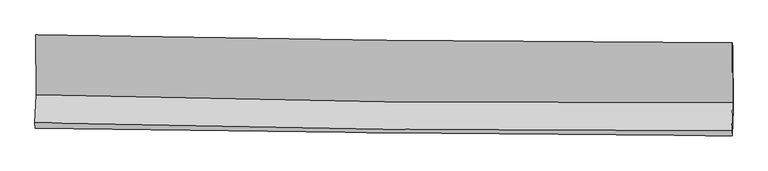
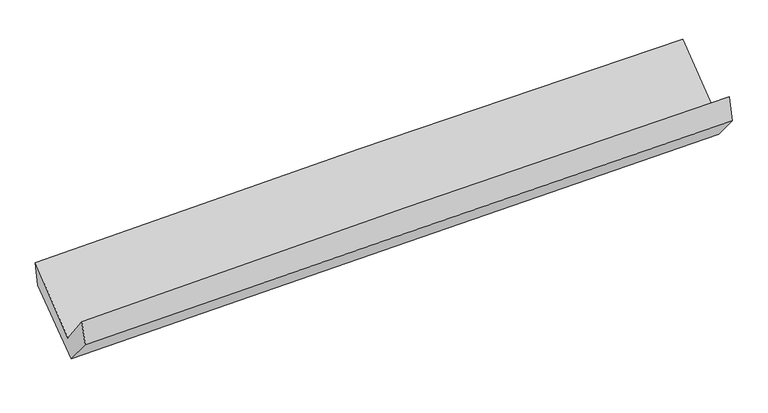
"""IFC4 building model written with IfcOpenShell, lengths in millimetres: proxy geometry."""

from ifc_helpers import new_model, si_unit, frame, origin, place, context, project, spatial, source, transform, mapped, element, save
from ifc_brep_helpers import plane_surface, spline_curve, spline_surface, advanced_brep


def generic_models_568cdb85(model_context):
    return source(origin(), model_context, "Body", "AdvancedBrep", [
        advanced_brep(
        [(-3026.2331343, -1164.6778657, 2163.4394769), (-3021.5308357, -1681.1058854, 1728.1511684), (3012.4801467, -1750.2394994, 1891.4274737), (3009.0242585, -1231.6485114, 2308.5888141), (-3031.673877, -1927.0252815, 2043.6214351), (3002.4210737, -1994.1230737, 2204.2861479), (-3027.4366246, -1974.2881741, 1843.0651275), (3006.8801617, -2036.9938745, 1987.9810045), (-3017.9930825, -1734.6646919, 1554.2397085), (3015.9585961, -1806.9662669, 1710.7219091), (-3021.5808673, -1192.7474016, 1954.1617515), (3013.1868849, -1267.7345385, 2108.6873645)],
        [
            (0, 1),
            (1, 2, spline_curve(3, [(-3021.5308357, -1681.1058854, 1728.1511684), (-2016.66316838, -1711.065385821, 1782.697433596), (-1011.352369885, -1731.805977153, 1823.576919723), (999.984774795, -1754.847385779, 1877.997715846), (2006.010970304, -1757.151332449, 1891.543664472), (3012.4801467, -1750.2394994, 1891.4274737)], [4, 2, 4], [0.0, 9.905091623100772, 19.808501975467742])),
            (2, 3),
            (3, 0, spline_curve(3, [(3009.0242585, -1231.6485114, 2308.5888141), (2002.653406463, -1228.529686497, 2304.544240185), (996.572527046, -1221.390201713, 2290.428056703), (-1015.180035595, -1199.068018665, 2242.048364412), (-2020.851620542, -1183.883954577, 2207.781435484), (-3026.2331343, -1164.6778657, 2163.4394769)], [4, 2, 4], [0.0, 9.90341035236697, 19.808501975467742])),
            (1, 4),
            (4, 5, spline_curve(3, [(-3031.673877, -1927.0252815, 2043.6214351), (-2026.595212342, -1951.869127109, 2091.60523734), (-1021.171925815, -1969.882427683, 2128.986100953), (990.193174752, -1992.246039778, 2182.537405815), (1996.134871637, -1996.598670129, 2198.711446444), (3002.4210737, -1994.1230737, 2204.2861479)], [4, 2, 4], [0.0, 9.904626753727277, 19.807572315626764])),
            (5, 2),
            (4, 6),
            (6, 7, spline_curve(3, [(-3027.4366246, -1974.2881741, 1843.0651275), (-2021.849965852, -1988.336472885, 1872.968458097), (-1016.154214197, -2000.586388183, 1899.99722766), (995.284751465, -2021.487677795, 1948.301544252), (2001.027928788, -2030.139662548, 1969.578066993), (3006.8801617, -2036.9938745, 1987.9810045)], [4, 2, 4], [0.0, 9.903579005522804, 19.805476997060534])),
            (7, 5),
            (6, 8),
            (8, 9, spline_curve(3, [(-3017.9930825, -1734.6646919, 1554.2397085), (-2012.424820624, -1749.246140092, 1584.785687618), (-1006.768697466, -1762.562399275, 1613.099777804), (1004.548558863, -1786.662494801, 1665.259753655), (2010.209661838, -1797.446760343, 1689.106396905), (3015.9585961, -1806.9662669, 1710.7219091)], [4, 2, 4], [0.0, 9.903111408976129, 19.8045418833361])),
            (9, 7),
            (8, 10),
            (10, 11, spline_curve(3, [(-3021.5808673, -1192.7474016, 1954.1617515), (-2015.832922691, -1211.923843162, 1981.321466429), (-1010.018948326, -1227.761239251, 2007.779491829), (1001.570325036, -1252.755818103, 2059.287791141), (2007.345601008, -1261.914134553, 2084.3383036), (3013.1868849, -1267.7345385, 2108.6873645)], [4, 2, 4], [0.0, 9.903790711770714, 19.805900373621753])),
            (11, 9),
            (10, 0),
            (3, 11),
        ],
        [
            spline_surface(3, 3, [[(-3026.2331343, -1164.6778657, 2163.4394769), (-2020.851620619, -1183.8839546, 2207.781435411), (-1015.180035644, -1199.068018538, 2242.048364337), (996.572527095, -1221.390201839, 2290.428056777), (2002.65340637, -1228.529686469, 2304.544240289), (3009.0242585, -1231.6485114, 2308.5888141)], [(-3024.665701432, -1336.820538959, 2018.343374053), (-2019.455469862, -1359.611098352, 2066.086768097), (-1013.904147063, -1376.64733807, 2102.557882811), (997.709942947, -1399.209263162, 2152.951276419), (2003.772594351, -1404.736901823, 2166.877381714), (3010.176221225, -1404.512174097, 2169.535033965)], [(-3023.098268568, -1508.963212141, 1873.247271247), (-2018.059319109, -1535.338242026, 1924.392100825), (-1012.628258402, -1554.226657598, 1963.067401339), (998.847358879, -1577.02832448, 2015.474496114), (2004.891782355, -1580.944117085, 2029.210523143), (3011.328183975, -1577.375836703, 2030.481253835)], [(-3021.5308357, -1681.1058854, 1728.1511684), (-2016.663168352, -1711.065385777, 1782.697433512), (-1011.352369821, -1731.80597713, 1823.576919813), (999.984774731, -1754.847385802, 1877.997715756), (2006.010970336, -1757.151332439, 1891.543664568), (3012.4801467, -1750.2394994, 1891.4274737)]], [4, 4], [4, 2, 4], [0.0, 2.2174350293559915], [0.0, 9.905091623100772, 19.808501975467742]),
            spline_surface(3, 3, [[(-3021.5308357, -1681.1058854, 1728.1511684), (-2016.663168352, -1711.065385777, 1782.697433512), (-1011.352369821, -1731.80597713, 1823.576919813), (999.984774731, -1754.847385802, 1877.997715756), (2006.010970336, -1757.151332439, 1891.543664568), (3012.4801467, -1750.2394994, 1891.4274737)], [(-3024.911849458, -1763.079017429, 1833.307923981), (-2019.97384972, -1791.333299582, 1885.666701417), (-1014.625555131, -1811.164793983, 1925.379980162), (996.720908082, -1833.98027047, 1979.510945828), (2002.718937436, -1836.967111634, 1993.93292525), (3009.127122363, -1831.534024152, 1995.71369844)], [(-3028.292863242, -1845.052149471, 1938.464679519), (-2023.284531114, -1871.6012134, 1988.63596928), (-1017.898740489, -1890.523610819, 2027.183040478), (993.457041385, -1913.113155122, 2081.024175868), (1999.426904545, -1916.782890873, 2096.322185913), (3005.774098037, -1912.828548948, 2099.99992316)], [(-3031.673877, -1927.0252815, 2043.6214351), (-2026.595212482, -1951.869127204, 2091.605237185), (-1021.171925799, -1969.882427672, 2128.986100827), (990.193174736, -1992.246039789, 2182.537405941), (1996.134871645, -1996.598670067, 2198.711446595), (3002.4210737, -1994.1230737, 2204.2861479)]], [4, 4], [4, 2, 4], [0.0, 1.2690735368084192], [0.0, 9.904626753727277, 19.807572315626764]),
            spline_surface(3, 3, [[(-3031.673877, -1927.0252815, 2043.6214351), (-2026.595212482, -1951.869127204, 2091.605237185), (-1021.171925799, -1969.882427672, 2128.986100827), (990.193174736, -1992.246039789, 2182.537405941), (1996.134871645, -1996.598670067, 2198.711446595), (3002.4210737, -1994.1230737, 2204.2861479)], [(-3030.261459546, -1942.779579027, 1976.769332568), (-2025.013463636, -1964.024909075, 2018.726310857), (-1019.499355295, -1980.117081166, 2052.656476442), (991.890366999, -2001.993252465, 2104.45878537), (1997.765890659, -2007.779000915, 2122.333653436), (3003.907436381, -2008.413340616, 2132.184433434)], [(-3028.849042054, -1958.533876573, 1909.917230032), (-2023.431714754, -1976.180690965, 1945.847384525), (-1017.826784776, -1990.351734664, 1976.326852063), (993.587559277, -2011.740465144, 2026.380164805), (1999.396909629, -2018.959331814, 2045.955860275), (3005.393799019, -2022.703607584, 2060.082718966)], [(-3027.4366246, -1974.2881741, 1843.0651275), (-2021.849965908, -1988.336472835, 1872.968458197), (-1016.154214272, -2000.586388158, 1899.997227678), (995.28475154, -2021.487677819, 1948.301544234), (2001.027928643, -2030.139662662, 1969.578067116), (3006.8801617, -2036.9938745, 1987.9810045)]], [4, 4], [4, 2, 4], [0.0, 0.7663975133476795], [0.0, 9.903579005522804, 19.805476997060534]),
            spline_surface(3, 3, [[(-3027.4366246, -1974.2881741, 1843.0651275), (-2021.849965908, -1988.336472835, 1872.968458197), (-1016.154214272, -2000.586388158, 1899.997227678), (995.28475154, -2021.487677819, 1948.301544234), (2001.027928643, -2030.139662662, 1969.578067116), (3006.8801617, -2036.9938745, 1987.9810045)], [(-3024.288777249, -1894.413680036, 1746.789987812), (-2018.708250792, -1908.639695213, 1776.907534614), (-1013.025708616, -1921.245058538, 1804.364744368), (998.372687271, -1943.212616826, 1853.954280721), (2004.088506312, -1952.575361963, 1876.087510409), (3009.906306484, -1960.318005325, 1895.561306048)], [(-3021.140929851, -1814.539185964, 1650.514848188), (-2015.56653563, -1828.942917583, 1680.846611094), (-1009.897202976, -1841.903728887, 1708.732261066), (1001.460622987, -1864.937555801, 1759.607017216), (2007.149084028, -1875.011061188, 1782.596953656), (3012.932451316, -1883.642136075, 1803.141607552)], [(-3017.9930825, -1734.6646919, 1554.2397085), (-2012.424820514, -1749.24613996, 1584.785687511), (-1006.76869732, -1762.562399267, 1613.099777756), (1004.548558718, -1786.662494808, 1665.259753702), (2010.209661697, -1797.446760489, 1689.106396949), (3015.9585961, -1806.9662669, 1710.7219091)]], [4, 4], [4, 2, 4], [0.0, 1.2152026079940923], [0.0, 9.903111408976129, 19.8045418833361]),
            spline_surface(3, 3, [[(-3017.9930825, -1734.6646919, 1554.2397085), (-2012.424820514, -1749.24613996, 1584.785687511), (-1006.76869732, -1762.562399267, 1613.099777756), (1004.548558718, -1786.662494808, 1665.259753702), (2010.209661697, -1797.446760489, 1689.106396949), (3015.9585961, -1806.9662669, 1710.7219091)], [(-3019.189010739, -1554.025595145, 1687.547056185), (-2013.560854594, -1570.13870775, 1716.964280502), (-1007.852114305, -1584.295345931, 1744.659682417), (1003.555814101, -1608.693602575, 1796.602432867), (2009.254974824, -1618.935885138, 1820.850365807), (3015.034692378, -1627.222357417, 1843.377060876)], [(-3020.384939061, -1373.386498355, 1820.854403815), (-2014.696888759, -1391.031275503, 1849.142873438), (-1008.935531232, -1406.028292589, 1876.219587095), (1002.563069544, -1430.724710335, 1927.94511205), (2008.300287917, -1440.425009836, 1952.594334739), (3014.110788622, -1447.478447983, 1976.032212724)], [(-3021.5808673, -1192.7474016, 1954.1617515), (-2015.83292284, -1211.923843293, 1981.321466429), (-1010.018948217, -1227.761239253, 2007.779491756), (1001.570324927, -1252.755818101, 2059.287791214), (2007.345601044, -1261.914134485, 2084.338303597), (3013.1868849, -1267.7345385, 2108.6873645)]], [4, 4], [4, 2, 4], [0.0, 2.178880131274556], [0.0, 9.903790711770714, 19.805900373621753]),
            spline_surface(3, 3, [[(-3021.5808673, -1192.7474016, 1954.1617515), (-2015.83292284, -1211.923843293, 1981.321466429), (-1010.018948217, -1227.761239253, 2007.779491756), (1001.570324927, -1252.755818101, 2059.287791214), (2007.345601044, -1261.914134485, 2084.338303597), (3013.1868849, -1267.7345385, 2108.6873645)], [(-3023.131622977, -1183.390889604, 2023.920993301), (-2017.50582211, -1202.577213699, 2056.808122758), (-1011.739310662, -1218.19683233, 2085.869115968), (999.904392347, -1242.300612662, 2136.33454642), (2005.781536154, -1250.785985139, 2157.740282498), (3011.799342768, -1255.705862792, 2175.321181037)], [(-3024.682378623, -1174.034377696, 2093.680235099), (-2019.178721349, -1193.230584194, 2132.294779083), (-1013.459673199, -1208.632425462, 2163.958740126), (998.238459675, -1231.845407278, 2213.381301572), (2004.21747126, -1239.657835815, 2231.142261388), (3010.411800632, -1243.677187108, 2241.954997563)], [(-3026.2331343, -1164.6778657, 2163.4394769), (-2020.851620619, -1183.8839546, 2207.781435411), (-1015.180035644, -1199.068018538, 2242.048364337), (996.572527095, -1221.390201839, 2290.428056777), (2002.65340637, -1228.529686469, 2304.544240289), (3009.0242585, -1231.6485114, 2308.5888141)]], [4, 4], [4, 2, 4], [0.0, 0.7699781978965541], [0.0, 9.904738553858786, 19.80779589691305]),
            plane_surface(frame((3009.9918536, -1681.2842941, 2035.282119), z_axis=(0.9996671121978521, -0.011796203825396579, 0.022945900839083676), x_axis=(-0.004135707651302421, 0.804594942043389, 0.5938096287198605))),
            plane_surface(frame((-3024.4080702, -1612.4182167, 1881.1131113), z_axis=(-0.9996606774963314, 0.010855974374592358, -0.023678633574473792), x_axis=(0.02202746622074828, -0.13290310976432865, -0.9908842284277537))),
        ],
        [
            (0, [[1, 2, 3, 4]]),
            (1, [[5, 6, 7, -2]]),
            (2, [[8, 9, 10, -6]]),
            (3, [[11, 12, 13, -9]]),
            (4, [[14, 15, 16, -12]]),
            (5, [[17, -4, 18, -15]]),
            (6, [[-16, -18, -3, -7, -10, -13]]),
            (7, [[-17, -14, -11, -8, -5, -1]]),
        ],
    ),
    ])


if __name__ == "__main__":
    model = new_model("IFC4")
    model_context = context("Model", 3, world=origin())
    ifc_project = project(units=[si_unit("LENGTHUNIT", "METRE", prefix="MILLI")], contexts=[model_context])
    site = spatial("IfcSite", under=ifc_project)
    building = spatial("IfcBuilding", under=site)
    placement = place(None, origin())
    generic_models_shape = generic_models_568cdb85(model_context)
    element("IfcBuildingElementProxy", 1, Name="Generic Models", at=placement, inside=building, context=model_context, shape_type="MappedRepresentation", body=[
        mapped(generic_models_shape, transform((0.0, 0.0, 0.0), x_axis=(1.0, 0.0, 0.0), y_axis=(0.0, 1.0, 0.0), z_axis=(0.0, 0.0, 1.0))),
    ])
    save(model, "model.ifc")
